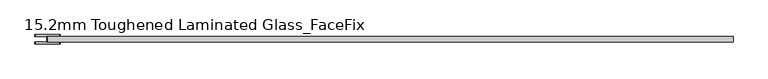
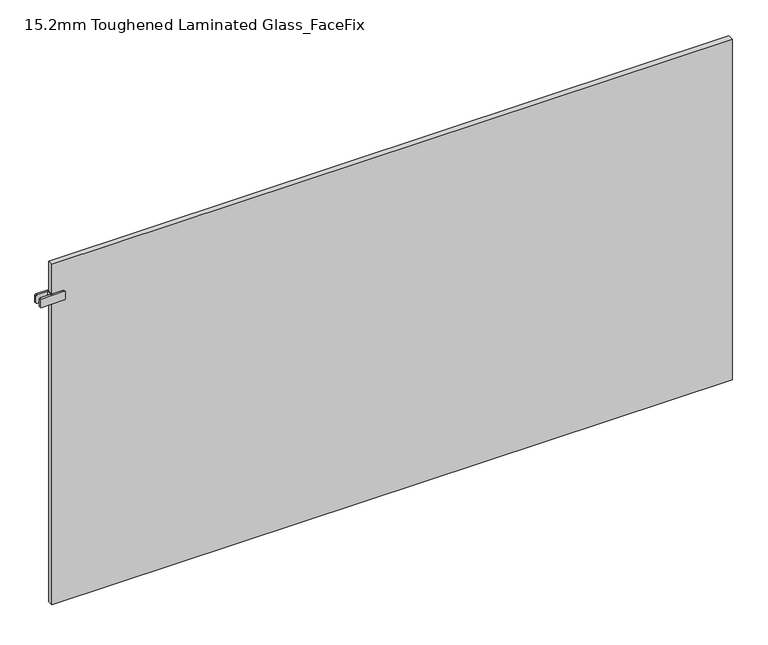
"""IFC4 building model written with IfcOpenShell, lengths in millimetres: plate geometry, 15.2mm Toughened Laminated Glass_FaceFix."""

from ifc_helpers import new_model, si_unit, point, frame, frame_2d, origin, origin_with_axes, place, context, project, spatial, polyline, circle_curve, trimmed, segment, composite_curve, outline, extrude, source, transform, mapped, element, save


def plate_15_2mm_toughened_laminated_glass_facefix_f36746e9(model_context):
    return source(origin(), model_context, "Body", "SweptSolid", [
        extrude(outline(polyline([(-947.5000001, -39.6), (-947.5000001, -24.4), (-942.5000001, -24.4), (-942.5000001, -39.6), (-947.5000001, -39.6)])), frame((0.0, 0.0, 887.5), z_axis=(0.0, 0.0, 1.0), x_axis=(1.0, 0.0, 0.0)), (0.0, 0.0, 1.0), 25.0),
        extrude(outline(composite_curve([segment(trimmed(circle_curve(frame_2d((890.5, -913.0000001)), 3.0), [point((887.5, -913.0000001))], [point((890.5, -910.0000001))], False, "CARTESIAN"), True, "CONTINUOUS"), segment(polyline([(890.5, -910.0000001), (909.5, -910.0000001)]), True, "CONTINUOUS"), segment(trimmed(circle_curve(frame_2d((909.5, -913.0000001)), 3.0), [point((909.5, -910.0000001))], [point((912.5, -913.0000001))], False, "CARTESIAN"), True, "CONTINUOUS"), segment(polyline([(912.5, -913.0000001), (912.5, -977.0000001)]), True, "CONTINUOUS"), segment(trimmed(circle_curve(frame_2d((909.5, -977.0000001)), 3.0), [point((912.5, -977.0000001))], [point((909.5, -980.0000001))], False, "CARTESIAN"), True, "CONTINUOUS"), segment(polyline([(909.5, -980.0000001), (890.5, -980.0000001)]), True, "CONTINUOUS"), segment(trimmed(circle_curve(frame_2d((890.5, -977.0000001)), 3.0), [point((890.5, -980.0000001))], [point((887.5, -977.0000001))], False, "CARTESIAN"), True, "CONTINUOUS"), segment(polyline([(887.5, -977.0000001), (887.5, -913.0000001)]), True, "CONTINUOUS")], self_intersect=False)), frame((0.0, -24.4, 0.0), z_axis=(0.0, 1.0, 0.0), x_axis=(0.0, 0.0, 1.0)), (0.0, 0.0, 1.0), 5.0),
        extrude(outline(composite_curve([segment(trimmed(circle_curve(frame_2d((890.5, -913.0000001)), 3.0), [point((887.5, -913.0000001))], [point((890.5, -910.0000001))], False, "CARTESIAN"), True, "CONTINUOUS"), segment(polyline([(890.5, -910.0000001), (909.5, -910.0000001)]), True, "CONTINUOUS"), segment(trimmed(circle_curve(frame_2d((909.5, -913.0000001)), 3.0), [point((909.5, -910.0000001))], [point((912.5, -913.0000001))], False, "CARTESIAN"), True, "CONTINUOUS"), segment(polyline([(912.5, -913.0000001), (912.5, -977.0000001)]), True, "CONTINUOUS"), segment(trimmed(circle_curve(frame_2d((909.5, -977.0000001)), 3.0), [point((912.5, -977.0000001))], [point((909.5, -980.0000001))], False, "CARTESIAN"), True, "CONTINUOUS"), segment(polyline([(909.5, -980.0000001), (890.5, -980.0000001)]), True, "CONTINUOUS"), segment(trimmed(circle_curve(frame_2d((890.5, -977.0000001)), 3.0), [point((890.5, -980.0000001))], [point((887.5, -977.0000001))], False, "CARTESIAN"), True, "CONTINUOUS"), segment(polyline([(887.5, -977.0000001), (887.5, -913.0000001)]), True, "CONTINUOUS")], self_intersect=False)), frame((0.0, -44.6, 0.0), z_axis=(0.0, 1.0, 0.0), x_axis=(0.0, 0.0, 1.0)), (0.0, 0.0, 1.0), 5.0),
        extrude(outline(polyline([(945.0000001, -24.4), (945.0000001, -39.6), (-945.0000001, -39.6), (-945.0000001, -24.4), (945.0000001, -24.4)])), origin_with_axes(), (0.0, 0.0, 1.0), 1000.0),
    ])


if __name__ == "__main__":
    model = new_model("IFC4")
    model_context = context("Model", 3, world=origin())
    ifc_project = project(units=[si_unit("LENGTHUNIT", "METRE", prefix="MILLI")], contexts=[model_context])
    site = spatial("IfcSite", under=ifc_project)
    building = spatial("IfcBuilding", under=site)
    placement = place(None, origin())
    plate_15_2mm_toughened_laminated_glass_facefix_shape = plate_15_2mm_toughened_laminated_glass_facefix_f36746e9(model_context)
    element("IfcPlate", 1, ObjectType="15.2mm Toughened Laminated Glass_FaceFix", at=placement, inside=building, context=model_context, shape_type="MappedRepresentation", body=[
        mapped(plate_15_2mm_toughened_laminated_glass_facefix_shape, transform((0.0, 0.0, 0.0), x_axis=(1.0, 0.0, 0.0), y_axis=(0.0, 1.0, 0.0), z_axis=(0.0, 0.0, 1.0))),
    ])
    save(model, "model.ifc")
